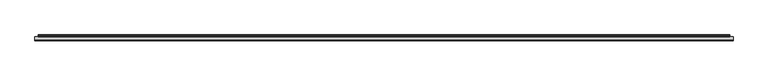
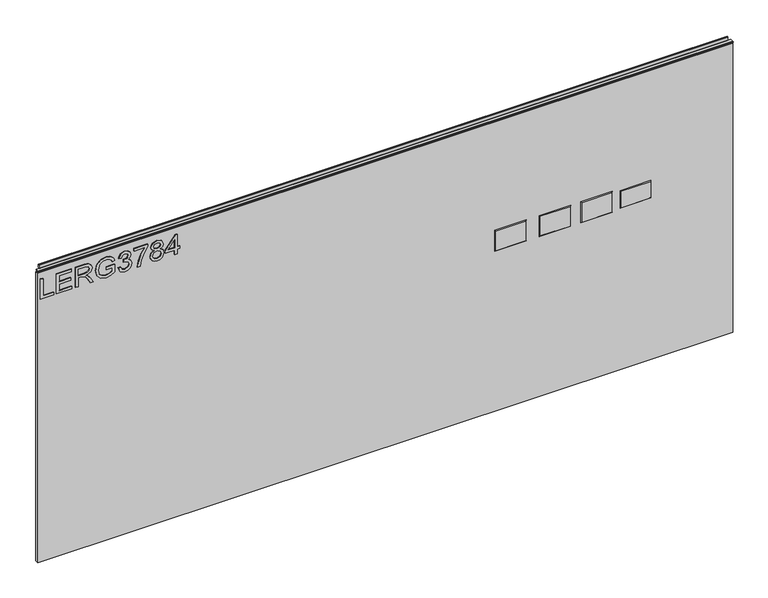
"""IFC4 building model written with IfcOpenShell, lengths in millimetres: furniture geometry."""

from ifc_helpers import new_model, si_unit, frame, origin, place, context, project, spatial, polyline, outline, extrude, faceted_brep, source, transform, mapped, element, save


def furniture_898e0f62(model_context):
    return source(origin(), model_context, "Body", "SolidModel", [
        extrude(outline(polyline([(949.9276297, -291.2189953), (949.9276297, -251.3503972), (957.9013493, -251.3503972), (957.9013493, -283.2452757), (1013.7173866, -283.2452757), (1013.7173866, -291.2189953), (949.9276297, -291.2189953)])), frame((0.0, -5.5279467, 0.0), z_axis=(0.0, 1.0, 0.0), x_axis=(0.0, 0.0, 1.0)), (0.0, 0.0, 1.0), 2.38125),
        extrude(outline(polyline([(949.9276297, -242.3799627), (949.9276297, -195.5343599), (957.9013493, -195.5343599), (957.9013493, -234.4062431), (978.8323633, -234.4062431), (978.8323633, -198.5245048), (986.8060829, -198.5245048), (986.8060829, -234.4062431), (1005.743667, -234.4062431), (1005.743667, -196.5310749), (1013.7173866, -196.5310749), (1013.7173866, -242.3799627), (949.9276297, -242.3799627)])), frame((0.0, -5.5279467, 0.0), z_axis=(0.0, 1.0, 0.0), x_axis=(0.0, 0.0, 1.0)), (0.0, 0.0, 1.0), 2.38125),
        extrude(outline(polyline([(949.9276297, -183.5737805), (949.9276297, -175.6000609), (977.8356483, -175.6000609), (977.8356483, -165.9755321), (977.5553223, -161.3501518), (976.0368893, -157.5579629), (971.9020796, -153.3452848), (963.1496765, -147.3494214), (949.9276297, -139.0486547), (949.9276297, -129.7823204), (967.2144046, -140.4191378), (975.4217293, -146.8822113), (978.8323633, -151.4141496), (984.765932, -138.0597266), (996.2593013, -133.7380329), (1005.9071906, -136.3466228), (1011.996496, -143.3236275), (1013.7173866, -156.0862509), (1013.7173866, -183.5737805), (949.9276297, -183.5737805)]), holes=[polyline([(985.809368, -175.6000609), (1005.743667, -175.6000609), (1005.743667, -155.7436302), (1002.9871272, -145.0834523), (995.9634015, -141.7117525), (990.5515508, -143.4793642), (986.9384591, -148.649823), (985.809368, -157.7526338), (985.809368, -175.6000609)])]), frame((0.0, -5.5279467, 0.0), z_axis=(0.0, 1.0, 0.0), x_axis=(0.0, 0.0, 1.0)), (0.0, 0.0, 1.0), 2.38125),
        extrude(outline(polyline([(974.8455035, -89.882575), (974.8455035, -71.9417058), (963.3209869, -71.9417058), (958.9525721, -80.0166543), (956.9046343, -90.9260109), (959.62224, -103.0812613), (967.9385803, -111.8025171), (981.8380818, -114.8004488), (994.3593134, -112.3086614), (1000.5031267, -108.2049991), (1005.0194913, -101.2591417), (1006.740382, -91.0506003), (1005.1440807, -82.0879526), (1000.8924685, -75.8740578), (993.5183352, -72.2376056), (995.5896334, -64.8868328), (1006.1407956, -69.706884), (1012.4481324, -78.4515004), (1014.7141016, -90.9260109), (1010.8051101, -107.7144284), (998.8523175, -118.8885375), (981.5110347, -122.7741684), (964.5513069, -118.8729638), (952.941135, -107.3172998), (948.9309147, -90.2874904), (951.4538495, -76.7617571), (958.9759326, -63.9679862), (982.8192231, -63.9679862), (982.8192231, -89.882575), (974.8455035, -89.882575)])), frame((0.0, -5.5279467, 0.0), z_axis=(0.0, 1.0, 0.0), x_axis=(0.0, 0.0, 1.0)), (0.0, 0.0, 1.0), 2.38125),
        extrude(outline(polyline([(966.8717839, -54.0008367), (953.9300632, -47.6623525), (948.9309147, -33.6771959), (950.3948398, -25.1545043), (954.7866151, -18.2436878), (961.2808359, -13.6650285), (969.0520978, -12.1388087), (979.4241628, -15.1912482), (984.8749477, -23.8813567), (990.1544222, -17.3404149), (997.505195, -15.1289536), (1005.5489961, -17.4572174), (1011.5292858, -24.1850433), (1013.7173866, -33.8017852), (1009.2788904, -46.4787535), (996.7732324, -53.0041217), (995.7765175, -45.0304021), (1003.2518796, -41.1214107), (1005.743667, -33.5214592), (1003.2752401, -26.0149497), (997.0379848, -23.1026732), (989.9986855, -27.1206803), (987.8027979, -37.4460243), (979.8290782, -38.3337235), (980.7012038, -32.7427756), (977.4385197, -23.678899), (969.1922609, -20.1125283), (960.4398577, -23.7100463), (956.9046343, -33.3968698), (959.4742901, -41.627555), (967.8684988, -46.0271171), (966.8717839, -54.0008367)])), frame((0.0, -5.5279467, 0.0), z_axis=(0.0, 1.0, 0.0), x_axis=(0.0, 0.0, 1.0)), (0.0, 0.0, 1.0), 2.38125),
        extrude(outline(polyline([(1004.7469521, -5.161804), (1004.7469521, 28.7265043), (988.2466475, 16.6724829), (967.9152198, 7.9745876), (949.9276297, 4.8053455), (949.9276297, 12.7790651), (967.2611256, 15.7380626), (989.1187731, 24.8252997), (1006.2731718, 36.700224), (1012.7206717, 36.700224), (1012.7206717, -5.161804), (1004.7469521, -5.161804)])), frame((0.0, -5.5279467, 0.0), z_axis=(0.0, 1.0, 0.0), x_axis=(0.0, 0.0, 1.0)), (0.0, 0.0, 1.0), 2.38125),
        extrude(outline(polyline([(985.0618317, 55.2951873), (979.2684261, 46.6985208), (968.7094771, 43.6772286), (960.9518421, 45.1177932), (954.5919442, 49.4394869), (950.3461721, 56.112805), (948.9309147, 64.6082426), (950.340332, 73.1036802), (954.5685837, 79.7769983), (968.4914457, 85.5392566), (978.8090028, 82.634767), (985.0618317, 74.154903), (989.9908987, 81.2175629), (997.505195, 83.5458267), (1008.9985643, 78.3130732), (1013.7173866, 64.4992269), (1009.10758, 50.80997), (997.7232264, 45.6706585), (990.0142592, 48.0300697), (985.0618317, 55.2951873)]), holes=[polyline([(968.9898031, 51.6509482), (977.4463066, 55.022648), (980.8257932, 64.4057849), (977.3995856, 74.061461), (968.7406244, 77.565537), (960.2451868, 74.1704767), (956.9046343, 64.6705373), (958.4931488, 57.6935326), (962.9861529, 52.9824971), (968.9898031, 51.6509482)]), polyline([(997.4896213, 53.6443781), (1003.3141743, 56.5177205), (1005.743667, 64.6082426), (1003.2596665, 72.6754043), (997.1314269, 75.5721071), (991.2134318, 72.7688463), (988.7995128, 64.7016847), (991.2290055, 56.4709995), (997.4896213, 53.6443781)])]), frame((0.0, -5.5279467, 0.0), z_axis=(0.0, 1.0, 0.0), x_axis=(0.0, 0.0, 1.0)), (0.0, 0.0, 1.0), 2.38125),
        extrude(outline(polyline([(949.9276297, 118.43085), (949.9276297, 126.4045697), (964.878354, 126.4045697), (964.878354, 134.3782893), (972.8520736, 134.3782893), (972.8520736, 126.4045697), (1012.7206717, 126.4045697), (1012.7206717, 120.42428), (972.8520736, 89.5261164), (964.878354, 89.5261164), (964.878354, 118.43085), (949.9276297, 118.43085)]), holes=[polyline([(972.8520736, 118.43085), (972.8520736, 99.3375292), (997.4896213, 118.43085), (972.8520736, 118.43085)])]), frame((0.0, -5.5279467, 0.0), z_axis=(0.0, 1.0, 0.0), x_axis=(0.0, 0.0, 1.0)), (0.0, 0.0, 1.0), 2.38125),
        faceted_brep([(1570.0763937, -5.2069939, 677.1132), (1480.4143937, -5.2069939, 677.1132), (1480.4143937, -5.2069939, 625.0432), (1570.0763937, -5.2069939, 625.0432), (1572.3623937, -3.1749939, 679.3992), (1572.3623937, -3.1749939, 622.7572), (1478.1283937, -3.1749939, 622.7572), (1478.1283937, -3.1749939, 679.3992)], [[[0, 1, 2, 3]], [[4, 5, 6, 7]], [[4, 7, 1, 0]], [[7, 6, 2, 1]], [[6, 5, 3, 2]], [[5, 4, 0, 3]]]),
        faceted_brep([(1451.8266938, -5.2069939, 682.5742), (1361.1486937, -5.2069939, 682.5742), (1361.1486937, -5.2069939, 619.5822), (1451.8266938, -5.2069939, 619.5822), (1454.1126938, -3.1749939, 684.8602), (1454.1126938, -3.1749939, 617.2962), (1358.8626937, -3.1749939, 617.2962), (1358.8626937, -3.1749939, 684.8602)], [[[0, 1, 2, 3]], [[4, 5, 6, 7]], [[4, 7, 1, 0]], [[7, 6, 2, 1]], [[6, 5, 3, 2]], [[5, 4, 0, 3]]]),
        faceted_brep([(1324.8266937, -5.2069939, 682.5742), (1234.1486937, -5.2069939, 682.5742), (1234.1486937, -5.2069939, 619.5822), (1324.8266937, -5.2069939, 619.5822), (1327.1126937, -3.1749939, 684.8602), (1327.1126937, -3.1749939, 617.2962), (1231.8626937, -3.1749939, 617.2962), (1231.8626937, -3.1749939, 684.8602)], [[[0, 1, 2, 3]], [[4, 5, 6, 7]], [[4, 7, 1, 0]], [[7, 6, 2, 1]], [[6, 5, 3, 2]], [[5, 4, 0, 3]]]),
        faceted_brep([(1189.0890937, -5.2069939, 682.5742), (1098.4110937, -5.2069939, 682.5742), (1098.4110937, -5.2069939, 619.5822), (1189.0890937, -5.2069939, 619.5822), (1191.3750937, -3.1749939, 684.8602), (1191.3750937, -3.1749939, 617.2962), (1096.1250937, -3.1749939, 617.2962), (1096.1250937, -3.1749939, 684.8602)], [[[0, 1, 2, 3]], [[4, 5, 6, 7]], [[4, 7, 1, 0]], [[7, 6, 2, 1]], [[6, 5, 3, 2]], [[5, 4, 0, 3]]]),
        extrude(outline(polyline([(-298.196, 6.3500061), (1821.688, 6.3500061), (1821.688, -3.1749939), (-298.196, -3.1749939), (-298.196, 6.3500061)])), frame((0.0, 0.0, 101.6), z_axis=(0.0, 0.0, 1.0), x_axis=(1.0, 0.0, 0.0)), (0.0, 0.0, 1.0), 932.3578),
        extrude(outline(polyline([(5.5562561, 1041.4), (6.3500061, 1041.4), (6.3500061, 1051.27425), (7.1437561, 1052.068), (8.6677569, 1052.068), (10.0084363, 1051.6506926), (10.875413, 1050.5461816), (10.9623604, 1049.1447591), (10.2390011, 1046.1863459), (10.4046103, 1044.9833307), (11.6746103, 1042.7836103), (10.7786383, 1042.2663244), (7.1437561, 1042.2663244), (7.1437561, 1041.4), (6.3500061, 1041.1669239), (6.3500061, 1033.9578), (5.5562561, 1033.9578), (5.5562561, 1041.4)])), frame((-288.671, 0.0, 0.0), z_axis=(1.0, 0.0, 0.0), x_axis=(0.0, 1.0, 0.0)), (0.0, 0.0, 1.0), 2100.834),
        extrude(outline(polyline([(5.5562561, 1041.4), (5.5562561, 1038.2249996), (-3.975094, 1038.2249996), (-5.3492339, 1039.0183657), (-5.3492339, 1040.6066395), (-3.9751037, 1041.4), (5.5562561, 1041.4)])), frame((-298.196, 0.0, 0.0), z_axis=(1.0, 0.0, 0.0), x_axis=(0.0, 1.0, 0.0)), (0.0, 0.0, 1.0), 2119.884),
    ])


if __name__ == "__main__":
    model = new_model("IFC4")
    model_context = context("Model", 3, world=origin())
    ifc_project = project(units=[si_unit("LENGTHUNIT", "METRE", prefix="MILLI")], contexts=[model_context])
    site = spatial("IfcSite", under=ifc_project)
    building = spatial("IfcBuilding", under=site)
    placement = place(None, origin())
    furniture_shape = furniture_898e0f62(model_context)
    element("IfcFurniture", 1, at=placement, inside=building, context=model_context, shape_type="MappedRepresentation", body=[
        mapped(furniture_shape, transform((0.0, 0.0, 0.0), x_axis=(1.0, 0.0, 0.0), y_axis=(0.0, 1.0, 0.0), z_axis=(0.0, 0.0, 1.0))),
    ])
    save(model, "model.ifc")
